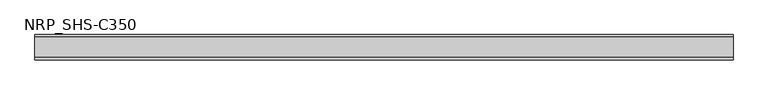
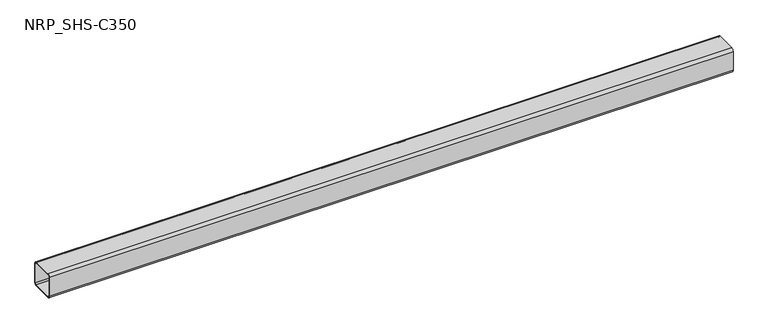
"""IFC4 building model written with IfcOpenShell, lengths in millimetres: member geometry, NRP_SHS-C350."""

from ifc_helpers import new_model, si_unit, point, frame, frame_2d, origin, place, context, project, spatial, polyline, circle_curve, trimmed, segment, composite_curve, outline, extrude, source, transform, mapped, element, save


def nrp_shs_c350_b6ca80f0(model_context):
    return source(origin(), model_context, "Body", "SweptSolid", [
        extrude(outline(composite_curve([segment(trimmed(circle_curve(frame_2d((-35.75, 35.75)), 8.75), [point((-44.5, 35.75))], [point((-35.75, 44.5))], False, "CARTESIAN"), True, "CONTINUOUS"), segment(polyline([(-35.75, 44.5), (35.75, 44.5)]), True, "CONTINUOUS"), segment(trimmed(circle_curve(frame_2d((35.75, 35.75)), 8.75), [point((35.75, 44.5))], [point((44.5, 35.75))], False, "CARTESIAN"), True, "CONTINUOUS"), segment(polyline([(44.5, 35.75), (44.5, -35.75)]), True, "CONTINUOUS"), segment(trimmed(circle_curve(frame_2d((35.75, -35.75)), 8.75), [point((44.5, -35.75))], [point((35.75, -44.5))], False, "CARTESIAN"), True, "CONTINUOUS"), segment(polyline([(35.75, -44.5), (-35.75, -44.5)]), True, "CONTINUOUS"), segment(trimmed(circle_curve(frame_2d((-35.75, -35.75)), 8.75), [point((-35.75, -44.5))], [point((-44.5, -35.75))], False, "CARTESIAN"), True, "CONTINUOUS"), segment(polyline([(-44.5, -35.75), (-44.5, 35.75)]), True, "CONTINUOUS")], self_intersect=False), holes=[composite_curve([segment(polyline([(35.75, 41.0), (-35.75, 41.0)]), True, "CONTINUOUS"), segment(trimmed(circle_curve(frame_2d((-35.75, 35.75)), 5.25), [point((-35.75, 41.0))], [point((-41.0, 35.75))], True, "CARTESIAN"), True, "CONTINUOUS"), segment(polyline([(-41.0, 35.75), (-41.0, -35.75)]), True, "CONTINUOUS"), segment(trimmed(circle_curve(frame_2d((-35.75, -35.75)), 5.25), [point((-41.0, -35.75))], [point((-35.75, -41.0))], True, "CARTESIAN"), True, "CONTINUOUS"), segment(polyline([(-35.75, -41.0), (35.75, -41.0)]), True, "CONTINUOUS"), segment(trimmed(circle_curve(frame_2d((35.75, -35.75)), 5.25), [point((35.75, -41.0))], [point((41.0, -35.75))], True, "CARTESIAN"), True, "CONTINUOUS"), segment(polyline([(41.0, -35.75), (41.0, 35.75)]), True, "CONTINUOUS"), segment(trimmed(circle_curve(frame_2d((35.75, 35.75)), 5.25), [point((41.0, 35.75))], [point((35.75, 41.0))], True, "CARTESIAN"), True, "CONTINUOUS")], self_intersect=False)]), frame((-1234.0, 0.0, 0.0), z_axis=(1.0, 0.0, 0.0), x_axis=(0.0, 1.0, 0.0)), (0.0, 0.0, 1.0), 2441.0),
    ])


if __name__ == "__main__":
    model = new_model("IFC4")
    model_context = context("Model", 3, world=origin())
    ifc_project = project(units=[si_unit("LENGTHUNIT", "METRE", prefix="MILLI")], contexts=[model_context])
    site = spatial("IfcSite", under=ifc_project)
    building = spatial("IfcBuilding", under=site)
    placement = place(None, origin())
    nrp_shs_c350_shape = nrp_shs_c350_b6ca80f0(model_context)
    element("IfcMember", 1, ObjectType="NRP_SHS-C350", at=placement, inside=building, context=model_context, shape_type="MappedRepresentation", body=[
        mapped(nrp_shs_c350_shape, transform((0.0, 0.0, 0.0), x_axis=(1.0, 0.0, 0.0), y_axis=(0.0, 1.0, 0.0), z_axis=(0.0, 0.0, 1.0))),
    ])
    save(model, "model.ifc")
